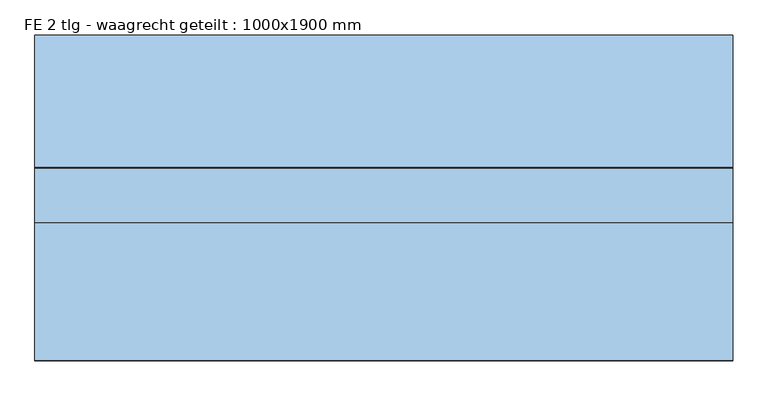
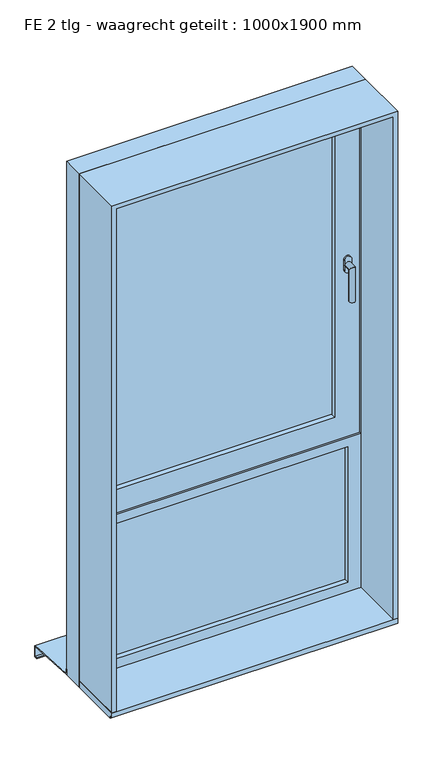
"""IFC4 building model written with IfcOpenShell, lengths in millimetres: window geometry, FE 2 tlg - waagrecht geteilt : 1000x1900 mm."""

from ifc_helpers import new_model, si_unit, frame, origin, place, context, project, spatial, polyline, circle_curve, ellipse_curve, outline, extrude, faceted_brep, source, transform, mapped, element, save
from ifc_brep_helpers import plane_surface, cylinder_surface, advanced_brep


def fe_2_tlg_waagrecht_geteilt_1000x1900_mm_afa5aada(model_context):
    return source(origin(), model_context, "Body", "SolidModel", [
        extrude(outline(polyline([(440.0, 47.5), (440.0, 3.5), (-440.0, 3.5), (-440.0, 47.5), (440.0, 47.5)])), frame((0.0, 0.0, 460.0), z_axis=(0.0, 0.0, 1.0), x_axis=(1.0, 0.0, 0.0)), (0.0, 0.0, 1.0), 500.0),
        faceted_brep([(-500.0, 254.5, 390.7060854), (-500.0, 232.5, 392.000203), (-500.0, 64.5, 401.882556), (500.0, 64.5, 401.882556), (500.0, 232.5, 392.000203), (500.0, 254.5, 390.7060854), (-500.0, 254.5, 350.7060854), (500.0, 254.5, 350.7060854), (-500.0, 242.5, 350.7060854), (500.0, 242.5, 350.7060854), (-500.0, 242.5, 352.7060854), (500.0, 242.5, 352.7060854), (-500.0, 252.5, 352.7060854), (500.0, 252.5, 352.7060854), (-500.0, 252.5, 388.8235294), (500.0, 252.5, 388.8235294), (-500.0, 232.5, 390.0), (500.0, 232.5, 390.0), (500.0, 62.5, 400.0), (-500.0, 62.5, 400.0), (-500.0, 62.5, 420.0), (500.0, 62.5, 420.0), (-500.0, 64.5, 420.0), (500.0, 64.5, 420.0)], [[[0, 1, 2, 3, 4, 5]], [[6, 0, 5, 7]], [[8, 6, 7, 9]], [[10, 8, 9, 11]], [[12, 10, 11, 13]], [[14, 12, 13, 15]], [[16, 14, 15, 17, 18, 19]], [[20, 19, 18, 21]], [[22, 20, 21, 23]], [[2, 22, 23, 3]], [[16, 1, 0, 6, 8, 10, 12, 14]], [[17, 4, 3, 23, 21, 18]], [[1, 16, 19, 20, 22, 2]], [[4, 17, 15, 13, 11, 9, 7, 5]]]),
        advanced_brep(
        [(449.5, -14.5, 1657.5), (449.5, -14.5, 1640.0), (449.5, -14.5, 1622.5), (424.5, -14.5, 1622.5), (424.5, -14.5, 1640.0), (424.5, -14.5, 1657.5), (427.0, -44.5, 1640.0), (447.0, -44.5, 1640.0), (447.0, -20.5, 1640.0), (427.0, -20.5, 1640.0), (427.0, -44.5, 1520.0), (447.0, -44.5, 1520.0), (449.5, -20.5, 1657.5), (424.5, -20.5, 1657.5), (424.5, -20.5, 1640.0), (424.5, -20.5, 1622.5), (449.5, -20.5, 1622.5), (449.5, -20.5, 1640.0)],
        [
            (0, 1),
            (1, 2),
            (2, 3, circle_curve(frame((437.0, -14.5, 1622.5), z_axis=(0.0, 1.0, 0.0), x_axis=(1.0, 0.0, 0.0)), 12.5)),
            (3, 4),
            (4, 5),
            (5, 0, circle_curve(frame((437.0, -14.5, 1657.5), z_axis=(0.0, 1.0, 0.0), x_axis=(1.0, 0.0, 0.0)), 12.5)),
            (6, 7, ellipse_curve(frame((437.0, -44.5, 1640.0), z_axis=(0.0, 0.7071067811865498, 0.7071067811865451), x_axis=(0.0, 0.7071067811865452, -0.7071067811865497)), 14.1421356, 10.0)),
            (7, 8),
            (8, 9, circle_curve(frame((437.0, -20.5, 1640.0), z_axis=(0.0, -1.0, 0.0), x_axis=(1.0, 0.0, 0.0)), 10.0)),
            (9, 6),
            (7, 6, ellipse_curve(frame((437.0, -44.5, 1640.0), z_axis=(0.0, 0.7071067811865498, 0.7071067811865451), x_axis=(0.0, 0.7071067811865452, -0.7071067811865497)), 14.1421356, 10.0)),
            (9, 8, circle_curve(frame((437.0, -20.5, 1640.0), z_axis=(0.0, -1.0, 0.0), x_axis=(1.0, 0.0, 0.0)), 10.0)),
            (10, 11, circle_curve(frame((437.0, -44.5, 1520.0), z_axis=(0.0, 0.0, -1.0), x_axis=(1.0, 0.0, 0.0)), 10.0)),
            (11, 10, circle_curve(frame((437.0, -44.5, 1520.0), z_axis=(0.0, 0.0, -1.0), x_axis=(1.0, 0.0, 0.0)), 10.0)),
            (6, 10),
            (11, 7),
            (12, 13, circle_curve(frame((437.0, -20.5, 1657.5), z_axis=(0.0, -1.0, 0.0), x_axis=(1.0, 0.0, 0.0)), 12.5)),
            (13, 14),
            (14, 15),
            (15, 16, circle_curve(frame((437.0, -20.5, 1622.5), z_axis=(0.0, -1.0, 0.0), x_axis=(1.0, 0.0, 0.0)), 12.5)),
            (16, 17),
            (17, 12),
            (12, 0),
            (5, 13),
            (4, 14),
            (3, 15),
            (2, 16),
            (1, 17),
        ],
        [
            plane_surface(frame((437.0, -14.5, 1640.0), z_axis=(0.0, 1.0, 0.0), x_axis=(1.0, 0.0, 0.0))),
            cylinder_surface(frame((437.0, -14.5, 1640.0), z_axis=(0.0, 1.0, 0.0), x_axis=(1.0, 0.0, 0.0)), 10.0),
            plane_surface(frame((437.0, -44.5, 1520.0), z_axis=(0.0, 0.0, -1.0), x_axis=(1.0, 0.0, 0.0))),
            cylinder_surface(frame((437.0, -44.5, 1640.0), z_axis=(0.0, 0.0, 1.0), x_axis=(1.0, 0.0, 0.0)), 10.0),
            plane_surface(frame((449.5, -20.5, 1657.5), z_axis=(0.0, -1.0, 0.0), x_axis=(0.0, 0.0, 1.0))),
            cylinder_surface(frame((437.0, -14.5, 1657.5), z_axis=(0.0, -1.0, 0.0), x_axis=(1.0, 0.0, 0.0)), 12.5),
            plane_surface(frame((424.5, -20.5, 1657.5), z_axis=(-1.0, 0.0, 0.0), x_axis=(0.0, 1.0, 0.0))),
            plane_surface(frame((424.5, -20.5, 1640.0), z_axis=(-1.0, 0.0, 0.0), x_axis=(0.0, 1.0, 0.0))),
            cylinder_surface(frame((437.0, -14.5, 1622.5), z_axis=(0.0, -1.0, 0.0), x_axis=(1.0, 0.0, 0.0)), 12.5),
            plane_surface(frame((449.5, -20.5, 1622.5), z_axis=(1.0, 0.0, 0.0), x_axis=(0.0, 1.0, 0.0))),
            plane_surface(frame((449.5, -20.5, 1640.0), z_axis=(1.0, 0.0, 0.0), x_axis=(0.0, 1.0, 0.0))),
        ],
        [
            (0, [[1, 2, 3, 4, 5, 6]]),
            (1, [[7, 8, 9, 10]]),
            (1, [[11, -10, 12, -8]]),
            (2, [[13, 14]]),
            (3, [[-7, 15, -14, 16]]),
            (3, [[-11, -16, -13, -15]]),
            (4, [[17, 18, 19, 20, 21, 22], [-9, -12]]),
            (5, [[-17, 23, -6, 24]]),
            (6, [[-18, -24, -5, 25]]),
            (7, [[-19, -25, -4, 26]]),
            (8, [[-20, -26, -3, 27]]),
            (9, [[-21, -27, -2, 28]]),
            (10, [[-22, -28, -1, -23]]),
        ],
    ),
        faceted_brep([(394.0, -14.5, 2194.0), (394.0, 62.5, 2194.0), (394.0, 62.5, 1086.0), (394.0, -14.5, 1086.0), (440.0, 62.5, 1040.0), (-440.0, 62.5, 1040.0), (-440.0, 62.5, 2240.0), (440.0, 62.5, 2240.0), (-394.0, 62.5, 2194.0), (-394.0, 62.5, 1086.0), (-394.0, -14.5, 1086.0), (480.0, -14.5, 2280.0), (-480.0, -14.5, 2280.0), (-480.0, -14.5, 1000.0), (480.0, -14.5, 1000.0), (-394.0, -14.5, 2194.0), (480.0, 0.5, 2280.0), (480.0, 0.5, 1000.0), (-480.0, 0.5, 1000.0), (-480.0, 0.5, 2280.0), (465.0, 0.5, 2265.0), (-465.0, 0.5, 2265.0), (-465.0, 0.5, 1015.0), (465.0, 0.5, 1015.0), (465.0, 24.0, 2265.0), (465.0, 24.0, 1015.0), (-465.0, 24.0, 1015.0), (-465.0, 24.0, 2265.0), (455.0, 24.0, 2255.0), (-455.0, 24.0, 2255.0), (-455.0, 24.0, 1025.0), (455.0, 24.0, 1025.0), (455.0, 47.5, 2255.0), (455.0, 47.5, 1025.0), (-455.0, 47.5, 1025.0), (-455.0, 47.5, 2255.0), (440.0, 47.5, 2240.0), (-440.0, 47.5, 2240.0), (-440.0, 47.5, 1040.0), (440.0, 47.5, 1040.0)], [[[0, 1, 2, 3]], [[4, 5, 6, 7], [1, 8, 9, 2]], [[3, 2, 9, 10]], [[11, 12, 13, 14], [3, 10, 15, 0]], [[16, 11, 14, 17]], [[17, 14, 13, 18]], [[17, 18, 19, 16], [20, 21, 22, 23]], [[24, 20, 23, 25]], [[25, 23, 22, 26]], [[25, 26, 27, 24], [28, 29, 30, 31]], [[32, 28, 31, 33]], [[33, 31, 30, 34]], [[33, 34, 35, 32], [36, 37, 38, 39]], [[7, 36, 39, 4]], [[4, 39, 38, 5]], [[10, 9, 8, 15]], [[18, 13, 12, 19]], [[26, 22, 21, 27]], [[34, 30, 29, 35]], [[5, 38, 37, 6]], [[15, 8, 1, 0]], [[19, 12, 11, 16]], [[27, 21, 20, 24]], [[35, 29, 28, 32]], [[6, 37, 36, 7]]]),
        extrude(outline(polyline([(394.0, 47.5), (394.0, 3.5), (-394.0, 3.5), (-394.0, 47.5), (394.0, 47.5)])), frame((0.0, 0.0, 1086.0), z_axis=(0.0, 0.0, 1.0), x_axis=(1.0, 0.0, 0.0)), (0.0, 0.0, 1.0), 1108.0),
        faceted_brep([(500.0, 62.5, 400.0), (500.0, -14.5, 400.0), (-500.0, -14.5, 400.0), (-500.0, 62.5, 400.0), (500.0, 62.5, 2300.0), (500.0, -14.5, 2300.0), (-500.0, -14.5, 2300.0), (485.0, -14.5, 2285.0), (485.0, -14.5, 995.0), (-485.0, -14.5, 995.0), (-485.0, -14.5, 2285.0), (440.0, -14.5, 960.0), (440.0, -14.5, 460.0), (-440.0, -14.5, 460.0), (-440.0, -14.5, 960.0), (-500.0, 62.5, 2300.0), (445.0, 62.5, 1035.0), (445.0, 62.5, 2245.0), (-445.0, 62.5, 2245.0), (-445.0, 62.5, 1035.0), (440.0, 62.5, 460.0), (440.0, 62.5, 960.0), (-440.0, 62.5, 960.0), (-440.0, 62.5, 460.0), (445.0, 47.5, 1035.0), (445.0, 47.5, 2245.0), (-445.0, 47.5, 1035.0), (-445.0, 47.5, 2245.0), (485.0, 0.5, 2285.0), (485.0, 0.5, 995.0), (-485.0, 0.5, 995.0), (-485.0, 0.5, 2285.0), (470.0, 0.5, 2270.0), (470.0, 0.5, 1010.0), (-470.0, 0.5, 1010.0), (-470.0, 0.5, 2270.0), (470.0, 24.0, 1010.0), (470.0, 24.0, 2270.0), (-470.0, 24.0, 2270.0), (-470.0, 24.0, 1010.0), (460.0, 24.0, 2260.0), (460.0, 24.0, 1020.0), (-460.0, 24.0, 1020.0), (-460.0, 24.0, 2260.0), (460.0, 47.5, 1020.0), (460.0, 47.5, 2260.0), (-460.0, 47.5, 2260.0), (-460.0, 47.5, 1020.0)], [[[0, 1, 2, 3]], [[4, 5, 1, 0]], [[5, 6, 2, 1], [7, 8, 9, 10], [11, 12, 13, 14]], [[6, 15, 3, 2]], [[15, 4, 0, 3], [16, 17, 18, 19], [20, 21, 22, 23]], [[16, 24, 25, 17]], [[26, 19, 18, 27]], [[24, 16, 19, 26]], [[28, 29, 8, 7]], [[8, 29, 30, 9]], [[9, 30, 31, 10]], [[29, 28, 31, 30], [32, 33, 34, 35]], [[36, 37, 38, 39], [40, 41, 42, 43]], [[37, 36, 33, 32]], [[33, 36, 39, 34]], [[44, 45, 46, 47], [25, 24, 26, 27]], [[45, 44, 41, 40]], [[41, 44, 47, 42]], [[34, 39, 38, 35]], [[42, 47, 46, 43]], [[4, 15, 6, 5]], [[28, 7, 10, 31]], [[37, 32, 35, 38]], [[45, 40, 43, 46]], [[17, 25, 27, 18]], [[20, 12, 11, 21]], [[21, 11, 14, 22]], [[13, 23, 22, 14]], [[12, 20, 23, 13]]]),
        extrude(outline(polyline([(-212.5, 425.0), (-14.5, 425.0), (-14.5, 400.0), (-202.5, 400.0), (-202.5, 407.0), (-212.5, 407.0), (-212.5, 425.0)])), frame((-500.0, 0.0, 0.0), z_axis=(1.0, 0.0, 0.0), x_axis=(0.0, 1.0, 0.0)), (0.0, 0.0, 1.0), 1000.0),
        extrude(outline(polyline([(425.0, 485.0), (425.0, 500.0), (2300.0, 500.0), (2300.0, -500.0), (425.0, -500.0), (425.0, -485.0), (2285.0, -485.0), (2285.0, 485.0), (425.0, 485.0)])), frame((0.0, -212.5, 0.0), z_axis=(0.0, 1.0, 0.0), x_axis=(0.0, 0.0, 1.0)), (0.0, 0.0, 1.0), 198.0),
    ])


if __name__ == "__main__":
    model = new_model("IFC4")
    model_context = context("Model", 3, world=origin())
    ifc_project = project(units=[si_unit("LENGTHUNIT", "METRE", prefix="MILLI")], contexts=[model_context])
    site = spatial("IfcSite", under=ifc_project)
    building = spatial("IfcBuilding", under=site)
    placement = place(None, origin())
    fe_2_tlg_waagrecht_geteilt_1000x1900_mm_shape = fe_2_tlg_waagrecht_geteilt_1000x1900_mm_afa5aada(model_context)
    element("IfcWindow", 1, ObjectType="FE 2 tlg - waagrecht geteilt : 1000x1900 mm", at=placement, inside=building, context=model_context, shape_type="MappedRepresentation", body=[
        mapped(fe_2_tlg_waagrecht_geteilt_1000x1900_mm_shape, transform((0.0, 0.0, 0.0), x_axis=(1.0, 0.0, 0.0), y_axis=(0.0, 1.0, 0.0), z_axis=(0.0, 0.0, 1.0))),
    ])
    save(model, "model.ifc")
